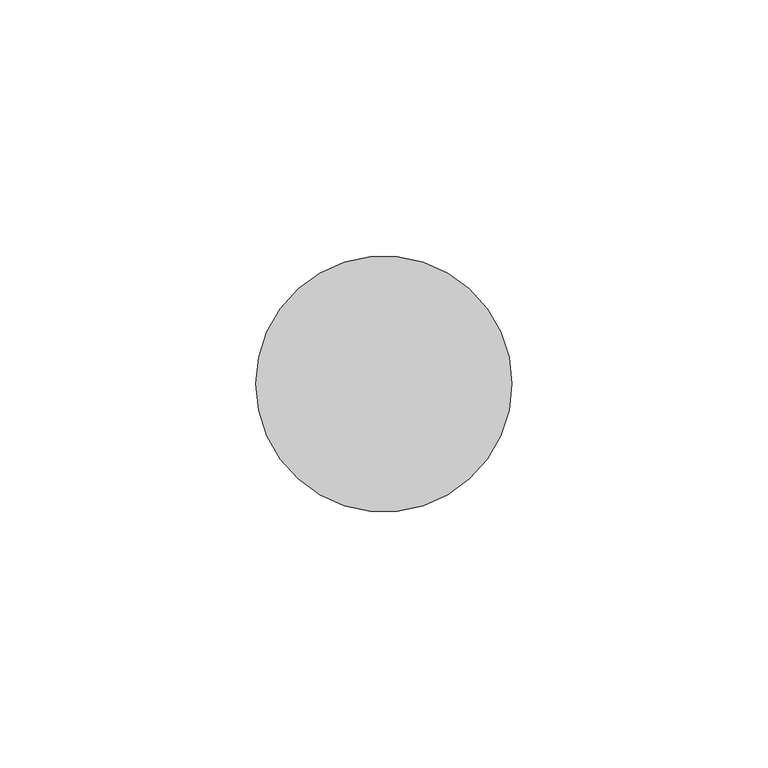
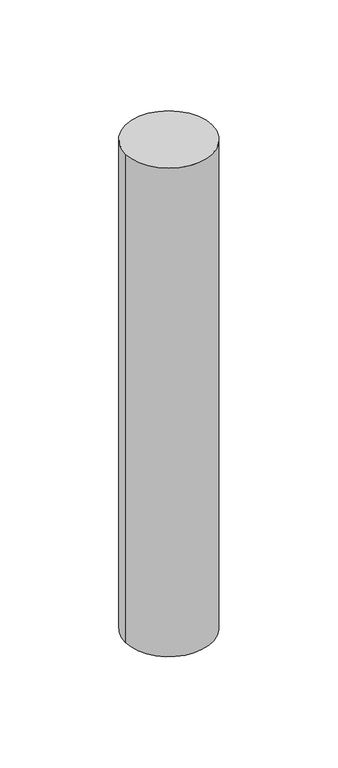
"""IFC4 building model written with IfcOpenShell, lengths in millimetres: member geometry."""

import ifcopenshell
import ifcopenshell.guid

model = None  # the IFC model being written
_history = None  # IfcOwnerHistory: only IFC2X3 demands one
_inside = {}  # id of a spatial element -> (the spatial element, [elements in it])
_under = {}  # id of a project, library or spatial element -> (it, [spatial elements below it])
_declared = {}  # id of a project -> (the project, [libraries it declares])
_typed = {}  # id of a type object -> (the type object, [elements of that type])
_made_of = {}  # id of a material, layer set ... -> (it, [elements and type objects made of it])


def new_model(schema):
    """Start an empty IFC model of exactly this schema.

    Asked for "IFC4X3", IfcOpenShell would pick the latest addendum, in which some entities
    have other attributes; the version numbers below select the first issue.
    IFC2X3 requires an IfcOwnerHistory on every rooted entity: one is made here for all.
    """
    global model, _history
    if schema == "IFC4X3":
        model = ifcopenshell.file(schema_version=(4, 3, 0, 0))
    else:
        model = ifcopenshell.file(schema=schema)
    _inside.clear()
    _under.clear()
    _declared.clear()
    _typed.clear()
    _made_of.clear()
    _history = None
    if model.schema == "IFC2X3":
        org = make("IfcOrganization", Name="unknown")
        user = make(
            "IfcPersonAndOrganization",
            ThePerson=make("IfcPerson", FamilyName="unknown"),
            TheOrganization=org,
        )
        app = make(
            "IfcApplication",
            ApplicationDeveloper=org,
            Version="unknown",
            ApplicationFullName="unknown",
            ApplicationIdentifier="unknown",
        )
        _history = make(
            "IfcOwnerHistory",
            OwningUser=user,
            OwningApplication=app,
            ChangeAction="ADDED",
            CreationDate=0,
        )
    return model


def make(cls, **values):
    """One entity of the class cls with the attributes given. An attribute that is None is left unset."""
    return model.create_entity(
        cls, **{name: value for name, value in values.items() if value is not None}
    )


def rooted(cls, **values):
    """An entity with a GlobalId (a new one), such as an element, a storey or a relation."""
    return make(cls, GlobalId=ifcopenshell.guid.new(), OwnerHistory=_history, **values)


def si_unit(unit_type, name, prefix=None):
    """IfcSIUnit, for example si_unit("LENGTHUNIT", "METRE", prefix="MILLI")."""
    return make("IfcSIUnit", UnitType=unit_type, Prefix=prefix, Name=name)


def assignment(units):
    """IfcUnitAssignment: the units of a project."""
    return None if units is None else make("IfcUnitAssignment", Units=units)


def point(xyz):
    """IfcCartesianPoint."""
    return None if xyz is None else make("IfcCartesianPoint", Coordinates=xyz)


def direction(xyz):
    """IfcDirection."""
    return None if xyz is None else make("IfcDirection", DirectionRatios=xyz)


def frame(location, z_axis=None, x_axis=None):
    """IfcAxis2Placement3D, a coordinate frame: its origin and axes. An axis left out is left unset."""
    return make(
        "IfcAxis2Placement3D",
        Location=point(location),
        Axis=direction(z_axis),
        RefDirection=direction(x_axis),
    )


def frame_2d(location, x_axis=None):
    """IfcAxis2Placement2D, a coordinate frame in the plane: its origin and x axis."""
    return make(
        "IfcAxis2Placement2D", Location=point(location), RefDirection=direction(x_axis)
    )


def origin():
    """The frame at (0, 0, 0) with its axes left unset."""
    return frame((0.0, 0.0, 0.0))


def origin_2d():
    """The frame at (0, 0) in the plane with its x axis left unset."""
    return frame_2d((0.0, 0.0))


def place(relative_to, where):
    """IfcLocalPlacement: puts the frame where relative to a parent placement (None: the world)."""
    return make(
        "IfcLocalPlacement", PlacementRelTo=relative_to, RelativePlacement=where
    )


def context(
    kind, dimensions, precision=None, world=None, true_north=None, identifier=None
):
    """IfcGeometricRepresentationContext, for example the 3D "Model" context."""
    return make(
        "IfcGeometricRepresentationContext",
        ContextIdentifier=identifier,
        ContextType=kind,
        CoordinateSpaceDimension=dimensions,
        Precision=precision,
        WorldCoordinateSystem=world,
        TrueNorth=true_north,
    )


def project(units=None, contexts=None):
    """IfcProject with its units and contexts."""
    return rooted(
        "IfcProject",
        Name="project",
        RepresentationContexts=contexts,
        UnitsInContext=assignment(units),
    )


def spatial(cls, under=None, at=None, **own):
    """A site, building, storey or space (cls), placed at a placement, below another one or the project."""
    s = rooted(cls, ObjectPlacement=at, **own)
    if under is not None:
        _under.setdefault(under.id(), (under, []))[1].append(s)
    return s


def circle_curve(where, radius):
    """IfcCircle in the frame where."""
    return make("IfcCircle", Position=where, Radius=radius)


def trimmed(basis, trim1, trim2, sense, master):
    """IfcTrimmedCurve: the piece of a basis curve between two trims."""
    return make(
        "IfcTrimmedCurve",
        BasisCurve=basis,
        Trim1=trim1,
        Trim2=trim2,
        SenseAgreement=sense,
        MasterRepresentation=master,
    )


def segment(curve, same_sense, transition):
    """IfcCompositeCurveSegment."""
    return make(
        "IfcCompositeCurveSegment",
        Transition=transition,
        SameSense=same_sense,
        ParentCurve=curve,
    )


def composite_curve(segments, self_intersect=None):
    """IfcCompositeCurve: segments joined end to end."""
    return make("IfcCompositeCurve", Segments=segments, SelfIntersect=self_intersect)


def outline(outer, holes=None, kind="AREA"):
    """IfcArbitraryClosedProfileDef: a profile drawn as a closed curve; with holes, ...WithVoids."""
    if holes is None:
        return make("IfcArbitraryClosedProfileDef", ProfileType=kind, OuterCurve=outer)
    return make(
        "IfcArbitraryProfileDefWithVoids",
        ProfileType=kind,
        OuterCurve=outer,
        InnerCurves=holes,
    )


def extrude(swept, where, along, depth):
    """IfcExtrudedAreaSolid: the profile swept, set in the frame where, extruded along a direction by depth."""
    return make(
        "IfcExtrudedAreaSolid",
        SweptArea=swept,
        Position=where,
        ExtrudedDirection=direction(along),
        Depth=depth,
    )


def shape(context_of_items, identifier, shape_type, items):
    """IfcShapeRepresentation: the items that make up one representation, for example the "Body"."""
    return make(
        "IfcShapeRepresentation",
        ContextOfItems=context_of_items,
        RepresentationIdentifier=identifier,
        RepresentationType=shape_type,
        Items=items,
    )


def source(mapping_origin, context_of_items, identifier, shape_type, items):
    """IfcRepresentationMap: a shape defined once, which mapped items show again and again."""
    return make(
        "IfcRepresentationMap",
        MappingOrigin=mapping_origin,
        MappedRepresentation=shape(context_of_items, identifier, shape_type, items),
    )


def transform(
    local_origin,
    x_axis=None,
    y_axis=None,
    z_axis=None,
    scale=None,
    scale2=None,
    scale3=None,
    uniform=True,
):
    """IfcCartesianTransformationOperator3D, or its non-uniform kind. x_axis, y_axis, z_axis: its Axis1, 2, 3."""
    if uniform:
        return make(
            "IfcCartesianTransformationOperator3D",
            Axis1=direction(x_axis),
            Axis2=direction(y_axis),
            LocalOrigin=point(local_origin),
            Scale=scale,
            Axis3=direction(z_axis),
        )
    return make(
        "IfcCartesianTransformationOperator3DnonUniform",
        Axis1=direction(x_axis),
        Axis2=direction(y_axis),
        LocalOrigin=point(local_origin),
        Scale=scale,
        Axis3=direction(z_axis),
        Scale2=scale2,
        Scale3=scale3,
    )


def mapped(mapping_source, mapping_target):
    """IfcMappedItem: shows the shape of a source again, moved by a transform."""
    return make(
        "IfcMappedItem", MappingSource=mapping_source, MappingTarget=mapping_target
    )


def made_of(thing, what):
    """Note that an element or type object is made of a material, layer set ...; save() writes the relation."""
    if what is not None:
        _made_of.setdefault(what.id(), (what, []))[1].append(thing)
    return thing


def element(
    cls,
    number,
    at=None,
    inside=None,
    cuts=None,
    type_object=None,
    material=None,
    context=None,
    identifier="Body",
    shape_type=None,
    held_by="IfcProductDefinitionShape",
    body=None,
    shapes=None,
    **own,
):
    """One element of the class cls, such as IfcWall. Its Tag is "e" and its number.

    at: its placement. inside: the storey or other place that contains it. cuts: it is an
    opening in that element (IfcRelVoidsElement). A single representation is given by context,
    identifier, shape_type and body (its items); several are given by shapes. held_by: the class
    of the entity that holds the representations. save() writes the other relations.
    """
    e = rooted(cls, Tag="e%d" % number, ObjectPlacement=at, **own)
    if body is not None:
        shapes = [shape(context, identifier, shape_type, body)]
    if shapes is not None:
        e.Representation = make(held_by, Representations=shapes)
    if inside is not None:
        _inside.setdefault(inside.id(), (inside, []))[1].append(e)
    if cuts is not None:
        rooted(
            "IfcRelVoidsElement", RelatingBuildingElement=cuts, RelatedOpeningElement=e
        )
    if type_object is not None:
        _typed.setdefault(type_object.id(), (type_object, []))[1].append(e)
    return made_of(e, material)


def aggregate(whole, parts):
    """IfcRelAggregates: a whole, such as a stair, and the parts it consists of."""
    return rooted("IfcRelAggregates", RelatingObject=whole, RelatedObjects=parts)


def save(model, path):
    """Write the relations noted so far, then the file.

    IfcRelAggregates (storeys below a building ...), IfcRelContainedInSpatialStructure (elements
    in a storey), IfcRelDefinesByType, IfcRelAssociatesMaterial and IfcRelDeclares: one each for
    every whole, place, type object, material and project.
    """
    for whole, parts in _under.values():
        aggregate(whole, parts)
    for where, things in _inside.values():
        rooted(
            "IfcRelContainedInSpatialStructure",
            RelatedElements=things,
            RelatingStructure=where,
        )
    for kind, things in _typed.values():
        rooted("IfcRelDefinesByType", RelatedObjects=things, RelatingType=kind)
    for what, things in _made_of.values():
        rooted("IfcRelAssociatesMaterial", RelatedObjects=things, RelatingMaterial=what)
    for by, libraries in _declared.values():
        rooted("IfcRelDeclares", RelatingContext=by, RelatedDefinitions=libraries)
    model.write(path)


def member_b67a29f4(model_context):
    return source(origin(), model_context, "Body", "SweptSolid", [
        extrude(outline(composite_curve([segment(trimmed(circle_curve(origin_2d(), 25.0), [point((25.0, 0.0))], [point((-25.0, 0.0))], False, "CARTESIAN"), True, "CONTINUOUS"), segment(trimmed(circle_curve(origin_2d(), 25.0), [point((-25.0, 0.0))], [point((25.0, 0.0))], False, "CARTESIAN"), True, "CONTINUOUS")], self_intersect=False)), frame((0.0, 0.0, -297.2352946), z_axis=(0.0, 0.0, 1.0), x_axis=(1.0, 0.0, 0.0)), (0.0, 0.0, 1.0), 297.2352946),
    ])


if __name__ == "__main__":
    model = new_model("IFC4")
    model_context = context("Model", 3, world=origin())
    ifc_project = project(units=[si_unit("LENGTHUNIT", "METRE", prefix="MILLI")], contexts=[model_context])
    site = spatial("IfcSite", under=ifc_project)
    building = spatial("IfcBuilding", under=site)
    placement = place(None, origin())
    member_shape = member_b67a29f4(model_context)
    element("IfcMember", 1, at=placement, inside=building, context=model_context, shape_type="MappedRepresentation", body=[
        mapped(member_shape, transform((0.0, 0.0, 0.0), x_axis=(1.0, 0.0, 0.0), y_axis=(0.0, 1.0, 0.0), z_axis=(0.0, 0.0, 1.0))),
    ])
    save(model, "model.ifc")
